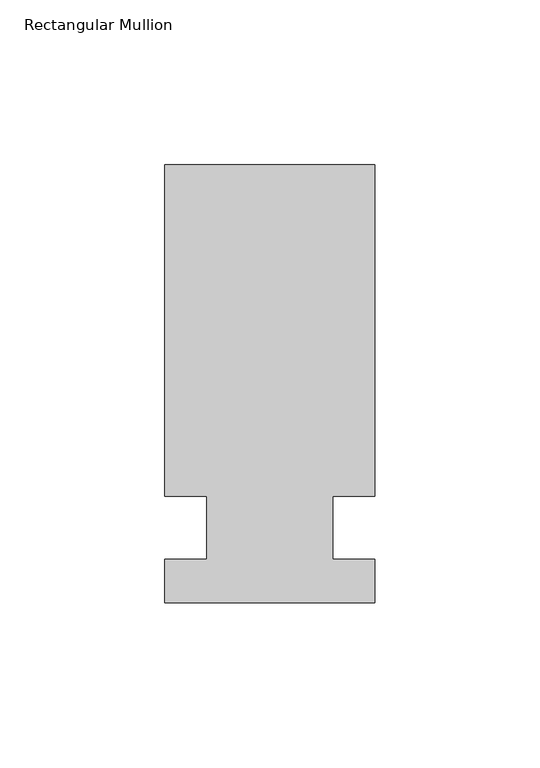
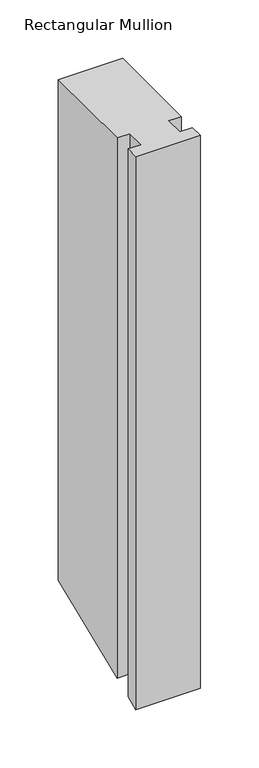
"""IFC4 building model written with IfcOpenShell, lengths in millimetres: member geometry, Rectangular Mullion."""

from ifc_helpers import new_model, si_unit, origin, place, context, project, spatial, faceted_brep, source, transform, mapped, element, save


def rectangular_mullion_1eb7da22(model_context):
    return source(origin(), model_context, "Body", "Brep", [
        faceted_brep([(-63.5, 132.6522936, 0.0), (-63.5, 32.2460937, 0.0), (-50.8, 32.2460937, 0.0), (-50.8, 13.1960937, 0.0), (-63.5, 13.1960937, 0.0), (-63.5, 0.0134937, 0.0), (0.0, 0.0134937, 0.0), (0.0, 13.1960936, 0.0), (-12.7, 13.1960936, 0.0), (-12.7, 32.2460937, 0.0), (0.0, 32.2460937, 0.0), (0.0, 132.6522936, 0.0), (-63.5, 132.6522936, -522.9036209), (-63.5, 32.2460937, -564.4932306), (-50.8, 32.2460937, -564.4932306), (-50.8, 13.1960937, -572.383999), (-63.5, 13.1960937, -572.383999), (-63.5, 0.0134937, -577.8444107), (0.0, 0.0134937, -577.8444107), (0.0, 13.1960936, -572.383999), (-12.7, 13.1960936, -572.383999), (-12.7, 32.2460937, -564.4932306), (0.0, 32.2460937, -564.4932306), (0.0, 132.6522936, -522.9036209)], [[[0, 1, 2, 3, 4, 5, 6, 7, 8, 9, 10, 11]], [[1, 0, 12, 13]], [[2, 1, 13, 14]], [[3, 2, 14, 15]], [[4, 3, 15, 16]], [[5, 4, 16, 17]], [[6, 5, 17, 18]], [[7, 6, 18, 19]], [[8, 7, 19, 20]], [[9, 8, 20, 21]], [[10, 9, 21, 22]], [[11, 10, 22, 23]], [[0, 11, 23, 12]], [[12, 23, 22, 21, 20, 19, 18, 17, 16, 15, 14, 13]]]),
    ])


if __name__ == "__main__":
    model = new_model("IFC4")
    model_context = context("Model", 3, world=origin())
    ifc_project = project(units=[si_unit("LENGTHUNIT", "METRE", prefix="MILLI")], contexts=[model_context])
    site = spatial("IfcSite", under=ifc_project)
    building = spatial("IfcBuilding", under=site)
    placement = place(None, origin())
    rectangular_mullion_shape = rectangular_mullion_1eb7da22(model_context)
    element("IfcMember", 1, ObjectType="Rectangular Mullion", at=placement, inside=building, context=model_context, shape_type="MappedRepresentation", body=[
        mapped(rectangular_mullion_shape, transform((0.0, 0.0, 0.0), x_axis=(1.0, 0.0, 0.0), y_axis=(0.0, 1.0, 0.0), z_axis=(0.0, 0.0, 1.0))),
    ])
    save(model, "model.ifc")
